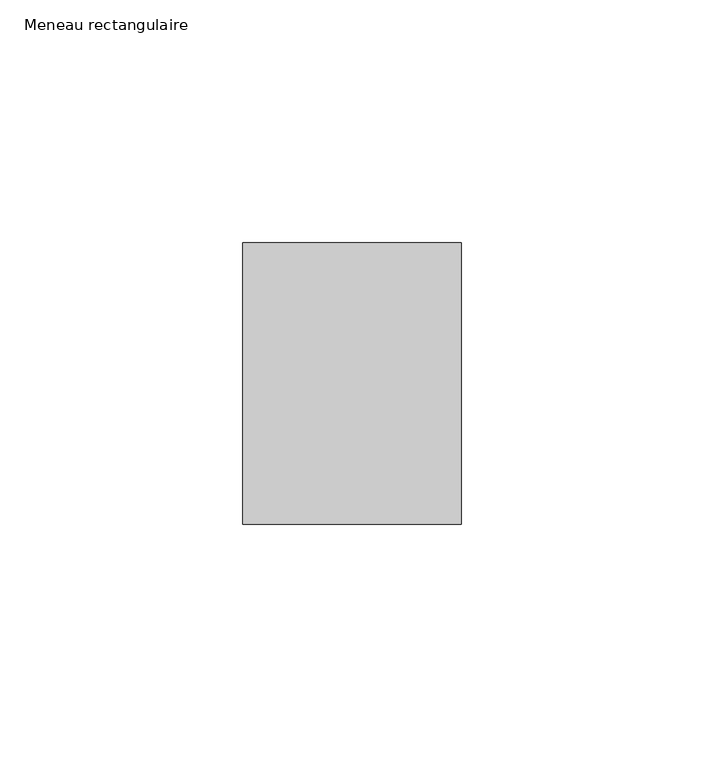
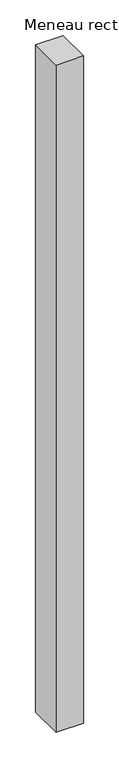
"""IFC4 building model written with IfcOpenShell, lengths in millimetres: member geometry, Meneau rectangulaire."""

from ifc_helpers import new_model, si_unit, frame, origin, place, context, project, spatial, polyline, outline, extrude, source, transform, mapped, element, save


def meneau_rectangulaire_0f2cf3c6(model_context):
    return source(origin(), model_context, "Body", "SweptSolid", [
        extrude(outline(polyline([(-45.0, 29.0), (0.0, 29.0), (0.0, -29.0), (-45.0, -29.0), (-45.0, 29.0)])), frame((0.0, 0.0, -1147.3750002), z_axis=(0.0, 0.0, 1.0), x_axis=(1.0, 0.0, 0.0)), (0.0, 0.0, 1.0), 1147.3750002),
    ])


if __name__ == "__main__":
    model = new_model("IFC4")
    model_context = context("Model", 3, world=origin())
    ifc_project = project(units=[si_unit("LENGTHUNIT", "METRE", prefix="MILLI")], contexts=[model_context])
    site = spatial("IfcSite", under=ifc_project)
    building = spatial("IfcBuilding", under=site)
    placement = place(None, origin())
    meneau_rectangulaire_shape = meneau_rectangulaire_0f2cf3c6(model_context)
    element("IfcMember", 1, ObjectType="Meneau rectangulaire", at=placement, inside=building, context=model_context, shape_type="MappedRepresentation", body=[
        mapped(meneau_rectangulaire_shape, transform((0.0, 0.0, 0.0), x_axis=(1.0, 0.0, 0.0), y_axis=(0.0, 1.0, 0.0), z_axis=(0.0, 0.0, 1.0))),
    ])
    save(model, "model.ifc")
